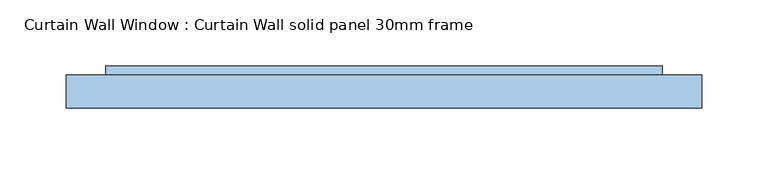
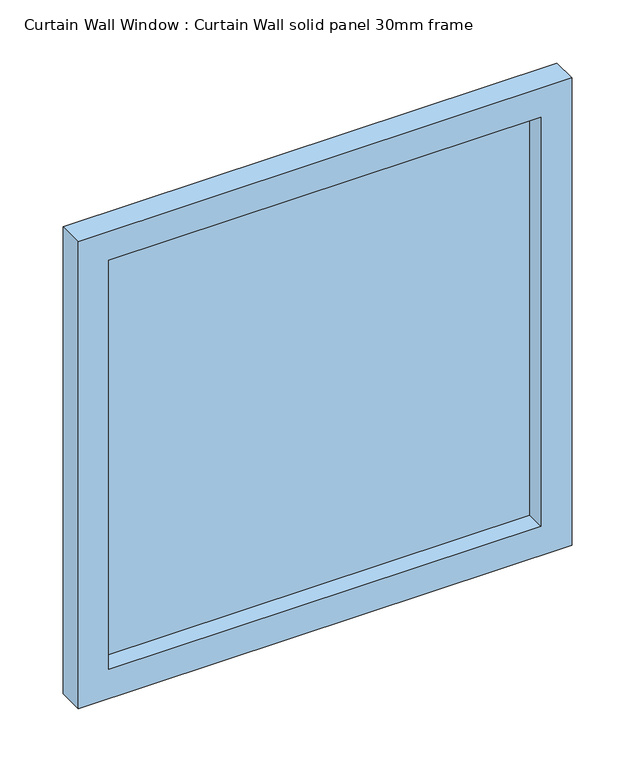
"""IFC4 building model written with IfcOpenShell, lengths in millimetres: window geometry, Curtain Wall Window : Curtain Wall solid panel 30mm frame."""

from ifc_helpers import new_model, si_unit, frame, origin, place, context, project, spatial, polyline, outline, extrude, source, transform, mapped, element, save


def curtain_wall_window_curtain_wall_solid_panel_30mm_frame_442490c8(model_context):
    return source(origin(), model_context, "Body", "SweptSolid", [
        extrude(outline(polyline([(210.4999959, 19.05), (-210.4999959, 19.05), (-210.4999959, 31.75), (210.4999959, 31.75), (210.4999959, 19.05)])), frame((0.0, 0.0, 30.0), z_axis=(0.0, 0.0, 1.0), x_axis=(1.0, 0.0, 0.0)), (0.0, 0.0, 1.0), 420.9999903),
        extrude(outline(polyline([(480.9999903, -240.4999959), (0.0, -240.4999959), (0.0, 240.4999959), (480.9999903, 240.4999959), (480.9999903, -240.4999959)]), holes=[polyline([(450.9999903, -210.4999959), (450.9999903, 210.4999959), (30.0, 210.4999959), (30.0, -210.4999959), (450.9999903, -210.4999959)])]), frame((0.0, 0.0, 0.0), z_axis=(0.0, 1.0, 0.0), x_axis=(0.0, 0.0, 1.0)), (0.0, 0.0, 1.0), 25.0),
    ])


if __name__ == "__main__":
    model = new_model("IFC4")
    model_context = context("Model", 3, world=origin())
    ifc_project = project(units=[si_unit("LENGTHUNIT", "METRE", prefix="MILLI")], contexts=[model_context])
    site = spatial("IfcSite", under=ifc_project)
    building = spatial("IfcBuilding", under=site)
    placement = place(None, origin())
    curtain_wall_window_curtain_wall_solid_panel_30mm_frame_shape = curtain_wall_window_curtain_wall_solid_panel_30mm_frame_442490c8(model_context)
    element("IfcWindow", 1, ObjectType="Curtain Wall Window : Curtain Wall solid panel 30mm frame", at=placement, inside=building, context=model_context, shape_type="MappedRepresentation", body=[
        mapped(curtain_wall_window_curtain_wall_solid_panel_30mm_frame_shape, transform((0.0, 0.0, 0.0), x_axis=(1.0, 0.0, 0.0), y_axis=(0.0, 1.0, 0.0), z_axis=(0.0, 0.0, 1.0))),
    ])
    save(model, "model.ifc")
